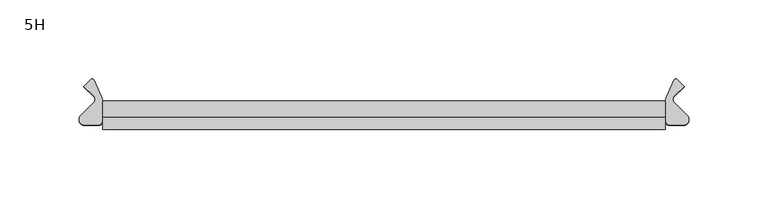
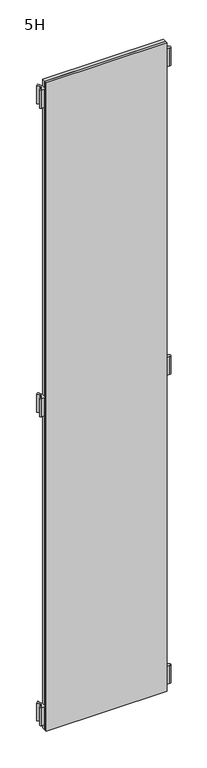
"""IFC4 building model written with IfcOpenShell, lengths in millimetres: furniture geometry, 5H."""

from ifc_helpers import new_model, si_unit, point, frame, frame_2d, origin, place, context, project, spatial, polyline, circle_curve, trimmed, segment, composite_curve, outline, extrude, source, transform, mapped, element, save


def furniture_5h_4b668d77(model_context):
    return source(origin(), model_context, "Body", "SweptSolid", [
        extrude(outline(composite_curve([segment(trimmed(circle_curve(frame_2d((-185.8578644, 0.0)), 3.0), [point((-183.736544, -2.1213203))], [point((-183.736544, 2.1213203))], True, "CARTESIAN"), True, "CONTINUOUS"), segment(polyline([(-183.736544, 2.1213203), (-189.8644234, 8.2491997), (-185.4062846, 12.7073384)]), True, "CONTINUOUS"), segment(trimmed(circle_curve(frame_2d((-184.6991778, 12.0002316)), 1.0), [point((-185.4062846, 12.7073384))], [point((-183.79287, 12.4228499))], False, "CARTESIAN"), True, "CONTINUOUS"), segment(polyline([(-183.79287, 12.4228499), (-178.4684611, 1.004618)]), True, "CONTINUOUS"), segment(trimmed(circle_curve(frame_2d((-183.0, -1.1084733)), 5.0), [point((-178.4684611, 1.004618))], [point((-178.0, -1.1084733))], False, "CARTESIAN"), True, "CONTINUOUS"), segment(polyline([(-178.0, -1.1084733), (-178.0, -13.3369345)]), True, "CONTINUOUS"), segment(trimmed(circle_curve(frame_2d((-181.0, -13.3369345)), 3.0), [point((-178.0, -13.3369345))], [point((-181.0, -16.3369345))], False, "CARTESIAN"), True, "CONTINUOUS"), segment(polyline([(-181.0, -16.3369345), (-189.5024107, -16.3369345)]), True, "CONTINUOUS"), segment(trimmed(circle_curve(frame_2d((-189.5024107, -12.8369345)), 3.5), [point((-189.5024107, -16.3369345))], [point((-191.9772844, -10.3620607))], False, "CARTESIAN"), True, "CONTINUOUS"), segment(polyline([(-191.9772844, -10.3620607), (-183.736544, -2.1213203)]), True, "CONTINUOUS")], self_intersect=False)), frame((0.0, 0.0, 117.0), z_axis=(0.0, 0.0, 1.0), x_axis=(1.0, 0.0, 0.0)), (0.0, 0.0, 1.0), 56.0),
        extrude(outline(composite_curve([segment(polyline([(183.736544, -2.1213203), (191.9772844, -10.3620607)]), True, "CONTINUOUS"), segment(trimmed(circle_curve(frame_2d((189.5024107, -12.8369345)), 3.5), [point((191.9772844, -10.3620607))], [point((189.5024107, -16.3369345))], False, "CARTESIAN"), True, "CONTINUOUS"), segment(polyline([(189.5024107, -16.3369345), (181.0, -16.3369345)]), True, "CONTINUOUS"), segment(trimmed(circle_curve(frame_2d((181.0, -13.3369345)), 3.0), [point((181.0, -16.3369345))], [point((178.0, -13.3369345))], False, "CARTESIAN"), True, "CONTINUOUS"), segment(polyline([(178.0, -13.3369345), (178.0, -1.1084733)]), True, "CONTINUOUS"), segment(trimmed(circle_curve(frame_2d((183.0, -1.1084733)), 5.0), [point((178.0, -1.1084733))], [point((178.4684611, 1.004618))], False, "CARTESIAN"), True, "CONTINUOUS"), segment(polyline([(178.4684611, 1.004618), (183.79287, 12.4228499)]), True, "CONTINUOUS"), segment(trimmed(circle_curve(frame_2d((184.6991778, 12.0002316)), 1.0), [point((183.79287, 12.4228499))], [point((185.4062846, 12.7073384))], False, "CARTESIAN"), True, "CONTINUOUS"), segment(polyline([(185.4062846, 12.7073384), (189.8644234, 8.2491997), (183.736544, 2.1213203)]), True, "CONTINUOUS"), segment(trimmed(circle_curve(frame_2d((185.8578644, 0.0)), 3.0), [point((183.736544, 2.1213203))], [point((183.736544, -2.1213203))], True, "CARTESIAN"), True, "CONTINUOUS")], self_intersect=False)), frame((0.0, 0.0, 117.0), z_axis=(0.0, 0.0, 1.0), x_axis=(1.0, 0.0, 0.0)), (0.0, 0.0, 1.0), 56.0),
        extrude(outline(composite_curve([segment(trimmed(circle_curve(frame_2d((-185.8578644, 0.0)), 3.0), [point((-183.736544, -2.1213203))], [point((-183.736544, 2.1213203))], True, "CARTESIAN"), True, "CONTINUOUS"), segment(polyline([(-183.736544, 2.1213203), (-189.8644234, 8.2491997), (-185.4062846, 12.7073384)]), True, "CONTINUOUS"), segment(trimmed(circle_curve(frame_2d((-184.6991778, 12.0002316)), 1.0), [point((-185.4062846, 12.7073384))], [point((-183.79287, 12.4228499))], False, "CARTESIAN"), True, "CONTINUOUS"), segment(polyline([(-183.79287, 12.4228499), (-178.4684611, 1.004618)]), True, "CONTINUOUS"), segment(trimmed(circle_curve(frame_2d((-183.0, -1.1084733)), 5.0), [point((-178.4684611, 1.004618))], [point((-178.0, -1.1084733))], False, "CARTESIAN"), True, "CONTINUOUS"), segment(polyline([(-178.0, -1.1084733), (-178.0, -13.3369345)]), True, "CONTINUOUS"), segment(trimmed(circle_curve(frame_2d((-181.0, -13.3369345)), 3.0), [point((-178.0, -13.3369345))], [point((-181.0, -16.3369345))], False, "CARTESIAN"), True, "CONTINUOUS"), segment(polyline([(-181.0, -16.3369345), (-189.5024107, -16.3369345)]), True, "CONTINUOUS"), segment(trimmed(circle_curve(frame_2d((-189.5024107, -12.8369345)), 3.5), [point((-189.5024107, -16.3369345))], [point((-191.9772844, -10.3620607))], False, "CARTESIAN"), True, "CONTINUOUS"), segment(polyline([(-191.9772844, -10.3620607), (-183.736544, -2.1213203)]), True, "CONTINUOUS")], self_intersect=False)), frame((0.0, 0.0, 1079.0), z_axis=(0.0, 0.0, 1.0), x_axis=(1.0, 0.0, 0.0)), (0.0, 0.0, 1.0), 56.0),
        extrude(outline(composite_curve([segment(polyline([(183.736544, -2.1213203), (191.9772844, -10.3620607)]), True, "CONTINUOUS"), segment(trimmed(circle_curve(frame_2d((189.5024107, -12.8369345)), 3.5), [point((191.9772844, -10.3620607))], [point((189.5024107, -16.3369345))], False, "CARTESIAN"), True, "CONTINUOUS"), segment(polyline([(189.5024107, -16.3369345), (181.0, -16.3369345)]), True, "CONTINUOUS"), segment(trimmed(circle_curve(frame_2d((181.0, -13.3369345)), 3.0), [point((181.0, -16.3369345))], [point((178.0, -13.3369345))], False, "CARTESIAN"), True, "CONTINUOUS"), segment(polyline([(178.0, -13.3369345), (178.0, -1.1084733)]), True, "CONTINUOUS"), segment(trimmed(circle_curve(frame_2d((183.0, -1.1084733)), 5.0), [point((178.0, -1.1084733))], [point((178.4684611, 1.004618))], False, "CARTESIAN"), True, "CONTINUOUS"), segment(polyline([(178.4684611, 1.004618), (183.79287, 12.4228499)]), True, "CONTINUOUS"), segment(trimmed(circle_curve(frame_2d((184.6991778, 12.0002316)), 1.0), [point((183.79287, 12.4228499))], [point((185.4062846, 12.7073384))], False, "CARTESIAN"), True, "CONTINUOUS"), segment(polyline([(185.4062846, 12.7073384), (189.8644234, 8.2491997), (183.736544, 2.1213203)]), True, "CONTINUOUS"), segment(trimmed(circle_curve(frame_2d((185.8578644, 0.0)), 3.0), [point((183.736544, 2.1213203))], [point((183.736544, -2.1213203))], True, "CARTESIAN"), True, "CONTINUOUS")], self_intersect=False)), frame((0.0, 0.0, 1079.0), z_axis=(0.0, 0.0, 1.0), x_axis=(1.0, 0.0, 0.0)), (0.0, 0.0, 1.0), 56.0),
        extrude(outline(composite_curve([segment(trimmed(circle_curve(frame_2d((-185.8578644, 0.0)), 3.0), [point((-183.736544, -2.1213203))], [point((-183.736544, 2.1213203))], True, "CARTESIAN"), True, "CONTINUOUS"), segment(polyline([(-183.736544, 2.1213203), (-189.8644234, 8.2491997), (-185.4062846, 12.7073384)]), True, "CONTINUOUS"), segment(trimmed(circle_curve(frame_2d((-184.6991778, 12.0002316)), 1.0), [point((-185.4062846, 12.7073384))], [point((-183.79287, 12.4228499))], False, "CARTESIAN"), True, "CONTINUOUS"), segment(polyline([(-183.79287, 12.4228499), (-178.4684611, 1.004618)]), True, "CONTINUOUS"), segment(trimmed(circle_curve(frame_2d((-183.0, -1.1084733)), 5.0), [point((-178.4684611, 1.004618))], [point((-178.0, -1.1084733))], False, "CARTESIAN"), True, "CONTINUOUS"), segment(polyline([(-178.0, -1.1084733), (-178.0, -13.3369345)]), True, "CONTINUOUS"), segment(trimmed(circle_curve(frame_2d((-181.0, -13.3369345)), 3.0), [point((-178.0, -13.3369345))], [point((-181.0, -16.3369345))], False, "CARTESIAN"), True, "CONTINUOUS"), segment(polyline([(-181.0, -16.3369345), (-189.5024107, -16.3369345)]), True, "CONTINUOUS"), segment(trimmed(circle_curve(frame_2d((-189.5024107, -12.8369345)), 3.5), [point((-189.5024107, -16.3369345))], [point((-191.9772844, -10.3620607))], False, "CARTESIAN"), True, "CONTINUOUS"), segment(polyline([(-191.9772844, -10.3620607), (-183.736544, -2.1213203)]), True, "CONTINUOUS")], self_intersect=False)), frame((0.0, 0.0, 2040.1401745), z_axis=(0.0, 0.0, 1.0), x_axis=(1.0, 0.0, 0.0)), (0.0, 0.0, 1.0), 56.0),
        extrude(outline(composite_curve([segment(polyline([(183.736544, -2.1213203), (191.9772844, -10.3620607)]), True, "CONTINUOUS"), segment(trimmed(circle_curve(frame_2d((189.5024107, -12.8369345)), 3.5), [point((191.9772844, -10.3620607))], [point((189.5024107, -16.3369345))], False, "CARTESIAN"), True, "CONTINUOUS"), segment(polyline([(189.5024107, -16.3369345), (181.0, -16.3369345)]), True, "CONTINUOUS"), segment(trimmed(circle_curve(frame_2d((181.0, -13.3369345)), 3.0), [point((181.0, -16.3369345))], [point((178.0, -13.3369345))], False, "CARTESIAN"), True, "CONTINUOUS"), segment(polyline([(178.0, -13.3369345), (178.0, -1.1084733)]), True, "CONTINUOUS"), segment(trimmed(circle_curve(frame_2d((183.0, -1.1084733)), 5.0), [point((178.0, -1.1084733))], [point((178.4684611, 1.004618))], False, "CARTESIAN"), True, "CONTINUOUS"), segment(polyline([(178.4684611, 1.004618), (183.79287, 12.4228499)]), True, "CONTINUOUS"), segment(trimmed(circle_curve(frame_2d((184.6991778, 12.0002316)), 1.0), [point((183.79287, 12.4228499))], [point((185.4062846, 12.7073384))], False, "CARTESIAN"), True, "CONTINUOUS"), segment(polyline([(185.4062846, 12.7073384), (189.8644234, 8.2491997), (183.736544, 2.1213203)]), True, "CONTINUOUS"), segment(trimmed(circle_curve(frame_2d((185.8578644, 0.0)), 3.0), [point((183.736544, 2.1213203))], [point((183.736544, -2.1213203))], True, "CARTESIAN"), True, "CONTINUOUS")], self_intersect=False)), frame((0.0, 0.0, 2040.1401745), z_axis=(0.0, 0.0, 1.0), x_axis=(1.0, 0.0, 0.0)), (0.0, 0.0, 1.0), 56.0),
        extrude(outline(polyline([(178.0, -11.15), (-178.0, -11.15), (-178.0, -1.15), (178.0, -1.15), (178.0, -11.15)])), frame((0.0, 0.0, 97.0), z_axis=(0.0, 0.0, 1.0), x_axis=(1.0, 0.0, 0.0)), (0.0, 0.0, 1.0), 2020.0),
        extrude(outline(polyline([(178.0, -19.15), (-178.0, -19.15), (-178.0, -11.15), (178.0, -11.15), (178.0, -19.15)])), frame((0.0, 0.0, 97.0), z_axis=(0.0, 0.0, 1.0), x_axis=(1.0, 0.0, 0.0)), (0.0, 0.0, 1.0), 2020.0),
    ])


if __name__ == "__main__":
    model = new_model("IFC4")
    model_context = context("Model", 3, world=origin())
    ifc_project = project(units=[si_unit("LENGTHUNIT", "METRE", prefix="MILLI")], contexts=[model_context])
    site = spatial("IfcSite", under=ifc_project)
    building = spatial("IfcBuilding", under=site)
    placement = place(None, origin())
    furniture_5h_shape = furniture_5h_4b668d77(model_context)
    element("IfcFurniture", 1, ObjectType="5H", at=placement, inside=building, context=model_context, shape_type="MappedRepresentation", body=[
        mapped(furniture_5h_shape, transform((0.0, 0.0, 0.0), x_axis=(1.0, 0.0, 0.0), y_axis=(0.0, 1.0, 0.0), z_axis=(0.0, 0.0, 1.0))),
    ])
    save(model, "model.ifc")
